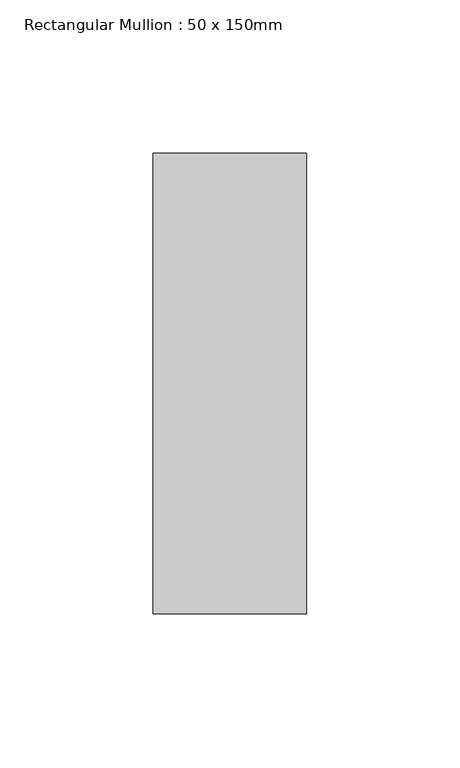
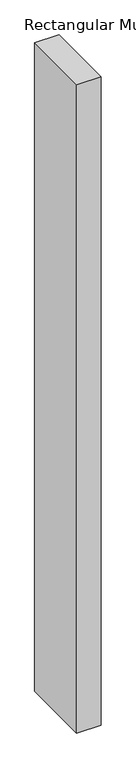
"""IFC4 building model written with IfcOpenShell, lengths in millimetres: member geometry, Rectangular Mullion : 50 x 150mm."""

from ifc_helpers import new_model, si_unit, frame, origin, place, context, project, spatial, polyline, outline, extrude, source, transform, mapped, element, save


def rectangular_mullion_50_x_150mm_a28728bf(model_context):
    return source(origin(), model_context, "Body", "SweptSolid", [
        extrude(outline(polyline([(25.0, 75.0), (25.0, -75.0), (-25.0, -75.0), (-25.0, 75.0), (25.0, 75.0)])), frame((0.0, 0.0, -1415.0), z_axis=(0.0, 0.0, 1.0), x_axis=(1.0, 0.0, 0.0)), (0.0, 0.0, 1.0), 1415.0),
    ])


if __name__ == "__main__":
    model = new_model("IFC4")
    model_context = context("Model", 3, world=origin())
    ifc_project = project(units=[si_unit("LENGTHUNIT", "METRE", prefix="MILLI")], contexts=[model_context])
    site = spatial("IfcSite", under=ifc_project)
    building = spatial("IfcBuilding", under=site)
    placement = place(None, origin())
    rectangular_mullion_50_x_150mm_shape = rectangular_mullion_50_x_150mm_a28728bf(model_context)
    element("IfcMember", 1, ObjectType="Rectangular Mullion : 50 x 150mm", at=placement, inside=building, context=model_context, shape_type="MappedRepresentation", body=[
        mapped(rectangular_mullion_50_x_150mm_shape, transform((0.0, 0.0, 0.0), x_axis=(1.0, 0.0, 0.0), y_axis=(0.0, 1.0, 0.0), z_axis=(0.0, 0.0, 1.0))),
    ])
    save(model, "model.ifc")
